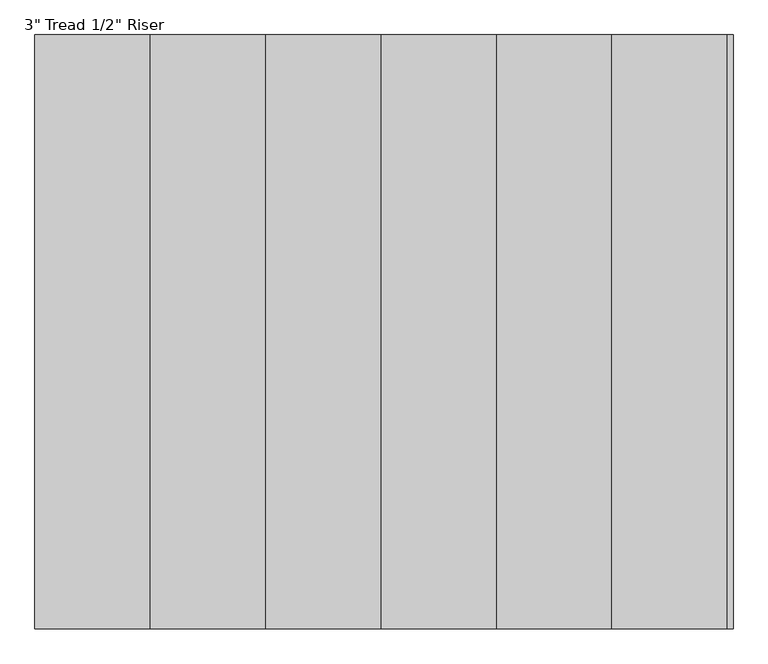
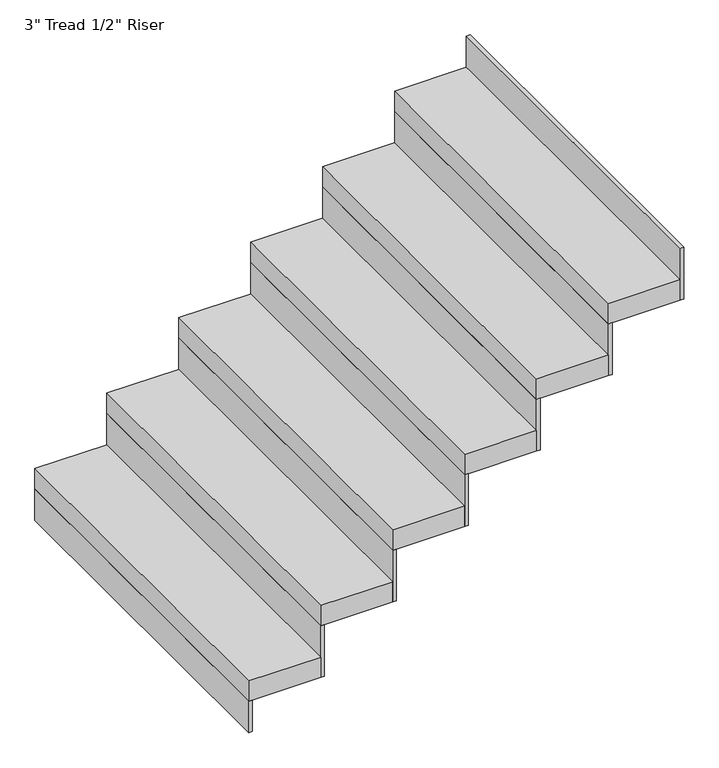
"""IFC4 building model written with IfcOpenShell, lengths in millimetres: stair flight geometry."""

from ifc_helpers import new_model, si_unit, frame, origin, place, context, project, spatial, polyline, outline, extrude, source, transform, mapped, element, save


def stair_flight_80b77e5c(model_context):
    return source(origin(), model_context, "Body", "SweptSolid", [
        extrude(outline(polyline([(5906.803833, 5138.4809329), (5894.103833, 5138.4809329), (5894.103833, 6446.5809329), (5906.803833, 6446.5809329), (5906.803833, 5138.4809329)])), frame((0.0, 0.0, 457.2), z_axis=(0.0, 0.0, 1.0), x_axis=(1.0, 0.0, 0.0)), (0.0, 0.0, 1.0), 116.8796875),
        extrude(outline(polyline([(6148.103833, 6446.5809329), (6148.103833, 5138.4809329), (5894.103833, 5138.4809329), (5894.103833, 6446.5809329), (6148.103833, 6446.5809329)])), frame((0.0, 0.0, 574.0796875), z_axis=(0.0, 0.0, 1.0), x_axis=(1.0, 0.0, 0.0)), (0.0, 0.0, 1.0), 76.2),
        extrude(outline(polyline([(6160.803833, 5138.4809329), (6148.103833, 5138.4809329), (6148.103833, 6446.5809329), (6160.803833, 6446.5809329), (6160.803833, 5138.4809329)])), frame((0.0, 0.0, 574.0796875), z_axis=(0.0, 0.0, 1.0), x_axis=(1.0, 0.0, 0.0)), (0.0, 0.0, 1.0), 193.0796875),
        extrude(outline(polyline([(6402.103833, 6446.5809329), (6402.103833, 5138.4809329), (6148.103833, 5138.4809329), (6148.103833, 6446.5809329), (6402.103833, 6446.5809329)])), frame((0.0, 0.0, 767.159375), z_axis=(0.0, 0.0, 1.0), x_axis=(1.0, 0.0, 0.0)), (0.0, 0.0, 1.0), 76.2),
        extrude(outline(polyline([(6414.803833, 5138.4809329), (6402.103833, 5138.4809329), (6402.103833, 6446.5809329), (6414.803833, 6446.5809329), (6414.803833, 5138.4809329)])), frame((0.0, 0.0, 767.159375), z_axis=(0.0, 0.0, 1.0), x_axis=(1.0, 0.0, 0.0)), (0.0, 0.0, 1.0), 193.0796875),
        extrude(outline(polyline([(6656.103833, 6446.5809329), (6656.103833, 5138.4809329), (6402.103833, 5138.4809329), (6402.103833, 6446.5809329), (6656.103833, 6446.5809329)])), frame((0.0, 0.0, 960.2390625), z_axis=(0.0, 0.0, 1.0), x_axis=(1.0, 0.0, 0.0)), (0.0, 0.0, 1.0), 76.2),
        extrude(outline(polyline([(6668.803833, 5138.4809329), (6656.103833, 5138.4809329), (6656.103833, 6446.5809329), (6668.803833, 6446.5809329), (6668.803833, 5138.4809329)])), frame((0.0, 0.0, 960.2390625), z_axis=(0.0, 0.0, 1.0), x_axis=(1.0, 0.0, 0.0)), (0.0, 0.0, 1.0), 193.0796875),
        extrude(outline(polyline([(6910.103833, 6446.5809329), (6910.103833, 5138.4809329), (6656.103833, 5138.4809329), (6656.103833, 6446.5809329), (6910.103833, 6446.5809329)])), frame((0.0, 0.0, 1153.31875), z_axis=(0.0, 0.0, 1.0), x_axis=(1.0, 0.0, 0.0)), (0.0, 0.0, 1.0), 76.2),
        extrude(outline(polyline([(6922.803833, 5138.4809329), (6910.103833, 5138.4809329), (6910.103833, 6446.5809329), (6922.803833, 6446.5809329), (6922.803833, 5138.4809329)])), frame((0.0, 0.0, 1153.31875), z_axis=(0.0, 0.0, 1.0), x_axis=(1.0, 0.0, 0.0)), (0.0, 0.0, 1.0), 193.0796875),
        extrude(outline(polyline([(7164.103833, 6446.5809329), (7164.103833, 5138.4809329), (6910.103833, 5138.4809329), (6910.103833, 6446.5809329), (7164.103833, 6446.5809329)])), frame((0.0, 0.0, 1346.3984375), z_axis=(0.0, 0.0, 1.0), x_axis=(1.0, 0.0, 0.0)), (0.0, 0.0, 1.0), 76.2),
        extrude(outline(polyline([(7176.803833, 5138.4809329), (7164.103833, 5138.4809329), (7164.103833, 6446.5809329), (7176.803833, 6446.5809329), (7176.803833, 5138.4809329)])), frame((0.0, 0.0, 1346.3984375), z_axis=(0.0, 0.0, 1.0), x_axis=(1.0, 0.0, 0.0)), (0.0, 0.0, 1.0), 193.0796875),
        extrude(outline(polyline([(7430.803833, 5138.4809329), (7418.103833, 5138.4809329), (7418.103833, 6446.5809329), (7430.803833, 6446.5809329), (7430.803833, 5138.4809329)])), frame((0.0, 0.0, 1539.478125), z_axis=(0.0, 0.0, 1.0), x_axis=(1.0, 0.0, 0.0)), (0.0, 0.0, 1.0), 193.0796875),
        extrude(outline(polyline([(7418.103833, 6446.5809329), (7418.103833, 5138.4809329), (7164.103833, 5138.4809329), (7164.103833, 6446.5809329), (7418.103833, 6446.5809329)])), frame((0.0, 0.0, 1539.478125), z_axis=(0.0, 0.0, 1.0), x_axis=(1.0, 0.0, 0.0)), (0.0, 0.0, 1.0), 76.2),
    ])


if __name__ == "__main__":
    model = new_model("IFC4")
    model_context = context("Model", 3, world=origin())
    ifc_project = project(units=[si_unit("LENGTHUNIT", "METRE", prefix="MILLI")], contexts=[model_context])
    site = spatial("IfcSite", under=ifc_project)
    building = spatial("IfcBuilding", under=site)
    placement = place(None, origin())
    stair_flight_shape = stair_flight_80b77e5c(model_context)
    element("IfcStairFlight", 1, ObjectType="3\" Tread 1/2\" Riser", at=placement, inside=building, context=model_context, shape_type="MappedRepresentation", body=[
        mapped(stair_flight_shape, transform((0.0, 0.0, 0.0), x_axis=(1.0, 0.0, 0.0), y_axis=(0.0, 1.0, 0.0), z_axis=(0.0, 0.0, 1.0))),
    ])
    save(model, "model.ifc")
